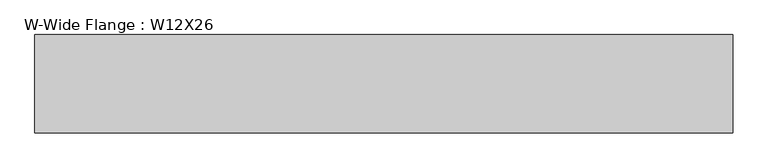
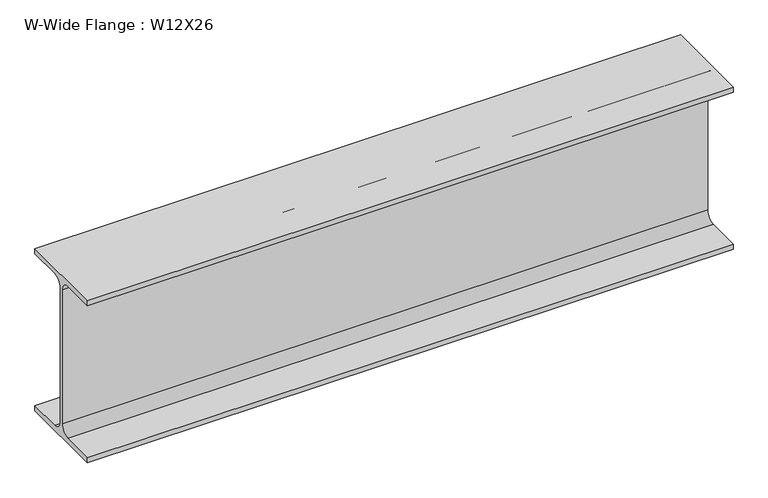
"""IFC4 building model written with IfcOpenShell, lengths in millimetres: beam geometry, W-Wide Flange : W12X26."""

from ifc_helpers import new_model, si_unit, point, frame, frame_2d, origin, place, context, project, spatial, polyline, circle_curve, trimmed, segment, composite_curve, outline, extrude, source, transform, mapped, element, save


def w_wide_flange_w12x26_80342c02(model_context):
    return source(origin(), model_context, "Body", "SweptSolid", [
        extrude(outline(composite_curve([segment(polyline([(82.423, -145.288), (82.423, -154.94), (-82.423, -154.94), (-82.423, -145.288), (-20.2565, -145.288)]), True, "CONTINUOUS"), segment(trimmed(circle_curve(frame_2d((-20.2565, -127.9525)), 17.3355), [point((-20.2565, -145.288))], [point((-2.921, -127.9525))], True, "CARTESIAN"), True, "CONTINUOUS"), segment(polyline([(-2.921, -127.9525), (-2.921, 127.9525)]), True, "CONTINUOUS"), segment(trimmed(circle_curve(frame_2d((-20.2565, 127.9525)), 17.3355), [point((-2.921, 127.9525))], [point((-20.2565, 145.288))], True, "CARTESIAN"), True, "CONTINUOUS"), segment(polyline([(-20.2565, 145.288), (-82.423, 145.288), (-82.423, 154.94), (82.423, 154.94), (82.423, 145.288), (20.2565, 145.288)]), True, "CONTINUOUS"), segment(trimmed(circle_curve(frame_2d((20.2565, 127.9525)), 17.3355), [point((20.2565, 145.288))], [point((2.921, 127.9525))], True, "CARTESIAN"), True, "CONTINUOUS"), segment(polyline([(2.921, 127.9525), (2.921, -127.9525)]), True, "CONTINUOUS"), segment(trimmed(circle_curve(frame_2d((20.2565, -127.9525)), 17.3355), [point((2.921, -127.9525))], [point((20.2565, -145.288))], True, "CARTESIAN"), True, "CONTINUOUS"), segment(polyline([(20.2565, -145.288), (82.423, -145.288)]), True, "CONTINUOUS")], self_intersect=False)), frame((-584.2, 0.0, 0.0), z_axis=(1.0, 0.0, 0.0), x_axis=(0.0, 1.0, 0.0)), (0.0, 0.0, 1.0), 1168.4),
    ])


if __name__ == "__main__":
    model = new_model("IFC4")
    model_context = context("Model", 3, world=origin())
    ifc_project = project(units=[si_unit("LENGTHUNIT", "METRE", prefix="MILLI")], contexts=[model_context])
    site = spatial("IfcSite", under=ifc_project)
    building = spatial("IfcBuilding", under=site)
    placement = place(None, origin())
    w_wide_flange_w12x26_shape = w_wide_flange_w12x26_80342c02(model_context)
    element("IfcBeam", 1, ObjectType="W-Wide Flange : W12X26", at=placement, inside=building, context=model_context, shape_type="MappedRepresentation", body=[
        mapped(w_wide_flange_w12x26_shape, transform((0.0, 0.0, 0.0), x_axis=(1.0, 0.0, 0.0), y_axis=(0.0, 1.0, 0.0), z_axis=(0.0, 0.0, 1.0))),
    ])
    save(model, "model.ifc")
